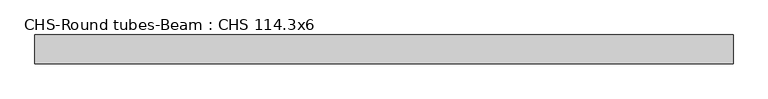
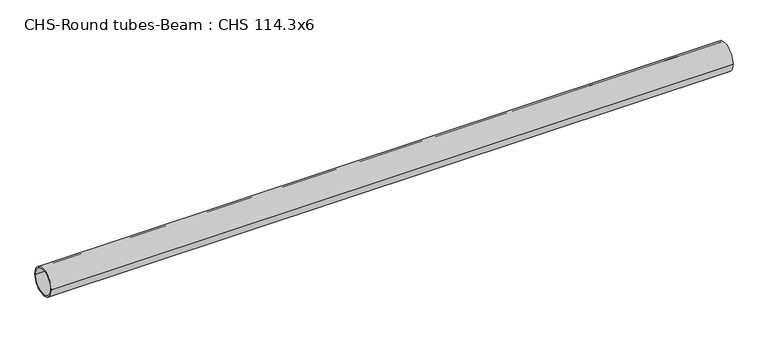
"""IFC4 building model written with IfcOpenShell, lengths in millimetres: beam geometry, CHS-Round tubes-Beam : CHS 114.3x6."""

from ifc_helpers import new_model, si_unit, point, frame, origin, origin_2d, place, context, project, spatial, circle_curve, trimmed, segment, composite_curve, outline, extrude, source, transform, mapped, element, save


def chs_round_tubes_beam_chs_114_3x6_20a4bf28(model_context):
    return source(origin(), model_context, "Body", "SweptSolid", [
        extrude(outline(composite_curve([segment(trimmed(circle_curve(origin_2d(), 57.15), [point((57.15, 0.0))], [point((-57.15, 0.0))], False, "CARTESIAN"), True, "CONTINUOUS"), segment(trimmed(circle_curve(origin_2d(), 57.15), [point((-57.15, 0.0))], [point((57.15, 0.0))], False, "CARTESIAN"), True, "CONTINUOUS")], self_intersect=False), holes=[composite_curve([segment(trimmed(circle_curve(origin_2d(), 51.15), [point((51.15, 0.0))], [point((-51.15, 0.0))], True, "CARTESIAN"), True, "CONTINUOUS"), segment(trimmed(circle_curve(origin_2d(), 51.15), [point((-51.15, 0.0))], [point((51.15, 0.0))], True, "CARTESIAN"), True, "CONTINUOUS")], self_intersect=False)]), frame((-1340.999063, 0.0, 0.0), z_axis=(1.0, 0.0, 0.0), x_axis=(0.0, 1.0, 0.0)), (0.0, 0.0, 1.0), 2779.8775272),
    ])


if __name__ == "__main__":
    model = new_model("IFC4")
    model_context = context("Model", 3, world=origin())
    ifc_project = project(units=[si_unit("LENGTHUNIT", "METRE", prefix="MILLI")], contexts=[model_context])
    site = spatial("IfcSite", under=ifc_project)
    building = spatial("IfcBuilding", under=site)
    placement = place(None, origin())
    chs_round_tubes_beam_chs_114_3x6_shape = chs_round_tubes_beam_chs_114_3x6_20a4bf28(model_context)
    element("IfcBeam", 1, ObjectType="CHS-Round tubes-Beam : CHS 114.3x6", at=placement, inside=building, context=model_context, shape_type="MappedRepresentation", body=[
        mapped(chs_round_tubes_beam_chs_114_3x6_shape, transform((0.0, 0.0, 0.0), x_axis=(1.0, 0.0, 0.0), y_axis=(0.0, 1.0, 0.0), z_axis=(0.0, 0.0, 1.0))),
    ])
    save(model, "model.ifc")
